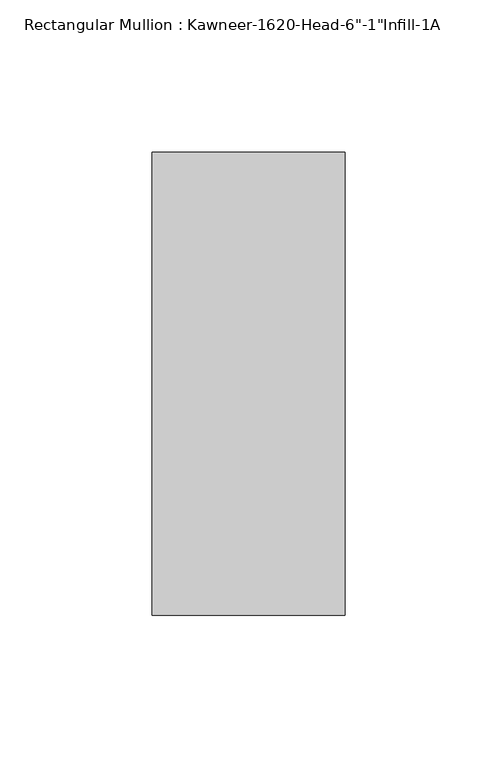
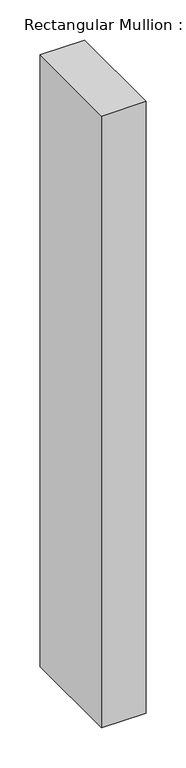
"""IFC4 building model written with IfcOpenShell, lengths in millimetres: member geometry."""

from ifc_helpers import new_model, si_unit, frame, origin, place, context, project, spatial, polyline, outline, extrude, source, transform, mapped, element, save


def member_a51eb152(model_context):
    return source(origin(), model_context, "Body", "SweptSolid", [
        extrude(outline(polyline([(-22.225, 38.1), (41.275, 38.1), (41.275, -114.3), (-22.225, -114.3), (-22.225, 38.1)])), frame((0.0, 0.0, -926.2317631), z_axis=(0.0, 0.0, 1.0), x_axis=(1.0, 0.0, 0.0)), (0.0, 0.0, 1.0), 926.2317631),
    ])


if __name__ == "__main__":
    model = new_model("IFC4")
    model_context = context("Model", 3, world=origin())
    ifc_project = project(units=[si_unit("LENGTHUNIT", "METRE", prefix="MILLI")], contexts=[model_context])
    site = spatial("IfcSite", under=ifc_project)
    building = spatial("IfcBuilding", under=site)
    placement = place(None, origin())
    member_shape = member_a51eb152(model_context)
    element("IfcMember", 1, ObjectType="Rectangular Mullion : Kawneer-1620-Head-6\"-1\"Infill-1A", at=placement, inside=building, context=model_context, shape_type="MappedRepresentation", body=[
        mapped(member_shape, transform((0.0, 0.0, 0.0), x_axis=(1.0, 0.0, 0.0), y_axis=(0.0, 1.0, 0.0), z_axis=(0.0, 0.0, 1.0))),
    ])
    save(model, "model.ifc")
